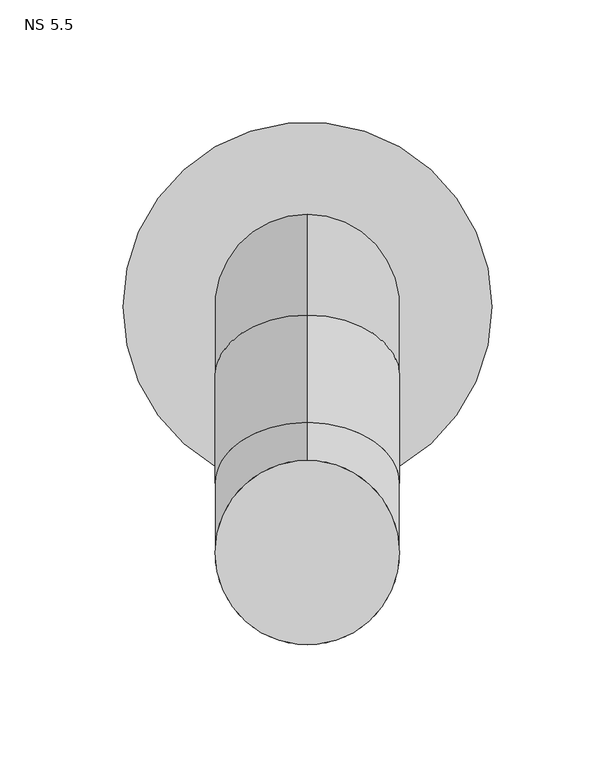
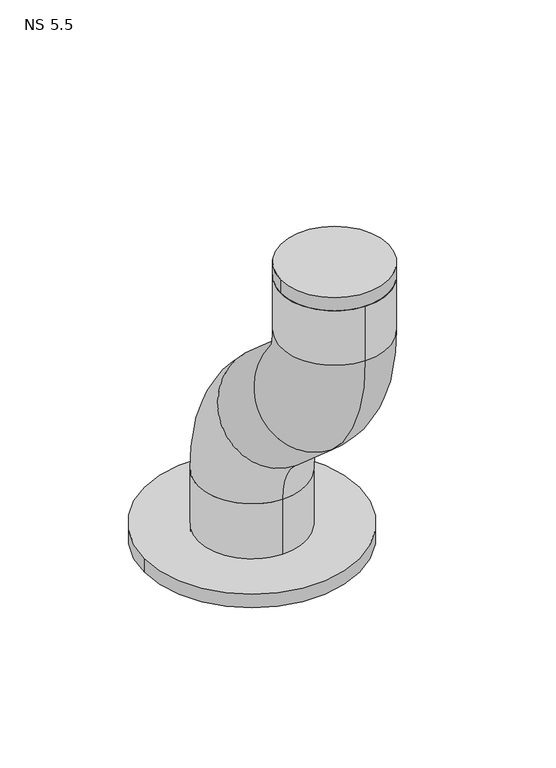
"""IFC4 building model written with IfcOpenShell, lengths in millimetres: unitary equipment geometry, NS 5.5."""

from ifc_helpers import new_model, si_unit, point, frame, frame_2d, origin, place, context, project, spatial, circle_curve, ellipse_curve, trimmed, segment, composite_curve, outline, extrude, source, transform, mapped, element, save
from ifc_brep_helpers import plane_surface, cylinder_surface, revolved_surface, advanced_brep


def ns_5_5_1beddec5(model_context):
    return source(origin(), model_context, "Body", "SolidModel", [
        advanced_brep(
        [(-225.0, 37.5, 1463.0), (-225.0, -37.5, 1463.0), (-225.0, 37.5, 1513.1666667), (-225.0, -37.5, 1513.1666667), (-225.0, -52.9188525, 1547.1888735), (-225.0, -3.4777932, 1603.5855192), (-225.0, -47.0811475, 1641.8111265), (-225.0, -96.5222068, 1585.4144808), (-225.0, -137.5, 1675.8333333), (-225.0, -62.5, 1675.8333333), (-225.0, -62.5, 1716.0), (-225.0, -137.5, 1716.0)],
        [
            (0, 1, circle_curve(frame((-225.0, 0.0, 1463.0), z_axis=(0.0, 0.0, -1.0), x_axis=(0.0, -1.0, 0.0)), 37.5)),
            (1, 0, circle_curve(frame((-225.0, 0.0, 1463.0), z_axis=(0.0, 0.0, -1.0), x_axis=(0.0, -1.0, 0.0)), 37.5)),
            (0, 2),
            (2, 3, circle_curve(frame((-225.0, 0.0, 1513.1666667), z_axis=(0.0, 0.0, -1.0), x_axis=(0.0, -1.0, 0.0)), 37.5)),
            (3, 1),
            (3, 2, circle_curve(frame((-225.0, 0.0, 1513.1666667), z_axis=(0.0, 0.0, -1.0), x_axis=(0.0, -1.0, 0.0)), 37.5)),
            (4, 3, circle_curve(frame((-225.0, -82.7449872, 1513.1666667), z_axis=(-1.0, 0.0, 0.0), x_axis=(0.0, 1.0, 0.0)), 45.2449872)),
            (2, 5, circle_curve(frame((-225.0, -82.7449872, 1513.1666667), z_axis=(1.0, 0.0, 0.0), x_axis=(0.0, 1.0, 0.0)), 120.2449872)),
            (5, 4, circle_curve(frame((-225.0, -28.1983228, 1575.3871964), z_axis=(0.0, 0.7519552759659777, -0.6592141252635069), x_axis=(0.0, -0.6592141252635069, -0.7519552759659777)), 37.5)),
            (4, 5, circle_curve(frame((-225.0, -28.1983228, 1575.3871964), z_axis=(0.0, 0.7519552759659779, -0.6592141252635065), x_axis=(0.0, -0.6592141252635065, -0.7519552759659779)), 37.5)),
            (5, 6),
            (6, 7, circle_curve(frame((-225.0, -71.8016772, 1613.6128036), z_axis=(0.0, 0.7519552759659772, -0.6592141252635073), x_axis=(0.0, -0.6592141252635073, -0.7519552759659772)), 37.5)),
            (7, 4),
            (7, 6, circle_curve(frame((-225.0, -71.8016772, 1613.6128036), z_axis=(0.0, 0.7519552759659772, -0.6592141252635073), x_axis=(0.0, -0.6592141252635073, -0.7519552759659772)), 37.5)),
            (8, 7, circle_curve(frame((-225.0, -17.2550128, 1675.8333333), z_axis=(1.0, 0.0, 0.0), x_axis=(0.0, -0.6592141252635073, -0.7519552759659771)), 120.2449872)),
            (6, 9, circle_curve(frame((-225.0, -17.2550128, 1675.8333333), z_axis=(-1.0, 0.0, 0.0), x_axis=(0.0, -0.6592141252635073, -0.7519552759659771)), 45.2449872)),
            (9, 8, circle_curve(frame((-225.0, -100.0, 1675.8333333), z_axis=(0.0, 0.0, -1.0), x_axis=(0.0, -1.0, 0.0)), 37.5)),
            (8, 9, circle_curve(frame((-225.0, -100.0, 1675.8333333), z_axis=(0.0, 0.0, -1.0), x_axis=(0.0, -1.0, 0.0)), 37.5)),
            (10, 11, circle_curve(frame((-225.0, -100.0, 1716.0), z_axis=(0.0, 0.0, 1.0), x_axis=(0.0, -1.0, 0.0)), 37.5)),
            (11, 10, circle_curve(frame((-225.0, -100.0, 1716.0), z_axis=(0.0, 0.0, 1.0), x_axis=(0.0, -1.0, 0.0)), 37.5)),
            (9, 10),
            (11, 8),
        ],
        [
            plane_surface(frame((-225.0, 0.0, 1463.0), z_axis=(0.0, 0.0, -1.0), x_axis=(1.0, 0.0, 0.0))),
            cylinder_surface(frame((-225.0, 0.0, 1463.0), z_axis=(0.0, 0.0, -1.0), x_axis=(0.0, -1.0, 0.0)), 37.5),
            revolved_surface(trimmed(ellipse_curve(frame((-225.0, 0.0, 1513.1666667), z_axis=(0.0, 0.0, -1.0), x_axis=(0.0, -1.0, 0.0)), 37.5, 37.5), [point((-225.0, 37.5, 1513.1666667))], [point((-225.0, -37.5, 1513.1666667))], True, "CARTESIAN"), (-225.0, -82.7449872, 1513.1666667), (1.0, 0.0, 0.0)),
            revolved_surface(trimmed(ellipse_curve(frame((-225.0, 0.0, 1513.1666667), z_axis=(0.0, 0.0, -1.0), x_axis=(0.0, -1.0, 0.0)), 37.5, 37.5), [point((-225.0, -37.5, 1513.1666667))], [point((-225.0, 37.5, 1513.1666667))], True, "CARTESIAN"), (-225.0, -82.7449872, 1513.1666667), (1.0, 0.0, 0.0)),
            cylinder_surface(frame((-225.0, -28.1983228, 1575.3871964), z_axis=(0.0, 0.7519552759659772, -0.6592141252635073), x_axis=(0.0, -0.6592141252635073, -0.7519552759659772)), 37.5),
            revolved_surface(trimmed(ellipse_curve(frame((-225.0, -71.8016772, 1613.6128036), z_axis=(0.0, 0.7519552759659771, -0.6592141252635073), x_axis=(0.0, -0.6592141252635073, -0.7519552759659771)), 37.5, 37.5), [point((-225.0, -47.0811475, 1641.8111265))], [point((-225.0, -96.5222068, 1585.4144808))], True, "CARTESIAN"), (-225.0, -17.2550128, 1675.8333333), (-1.0, 0.0, 0.0)),
            revolved_surface(trimmed(ellipse_curve(frame((-225.0, -71.8016772, 1613.6128036), z_axis=(0.0, 0.7519552759659771, -0.6592141252635073), x_axis=(0.0, -0.6592141252635073, -0.7519552759659771)), 37.5, 37.5), [point((-225.0, -96.5222068, 1585.4144808))], [point((-225.0, -47.0811475, 1641.8111265))], True, "CARTESIAN"), (-225.0, -17.2550128, 1675.8333333), (-1.0, 0.0, 0.0)),
            plane_surface(frame((-225.0, -100.0, 1716.0), z_axis=(0.0, 0.0, 1.0), x_axis=(1.0, 0.0, 0.0))),
            cylinder_surface(frame((-225.0, -100.0, 1675.8333333), z_axis=(0.0, 0.0, -1.0), x_axis=(0.0, -1.0, 0.0)), 37.5),
        ],
        [
            (0, [[1, 2]]),
            (1, [[-1, 3, 4, 5]]),
            (1, [[-2, -5, 6, -3]]),
            (2, [[7, -4, 8, 9]]),
            (3, [[-8, -6, -7, 10]]),
            (4, [[-9, 11, 12, 13]]),
            (4, [[-10, -13, 14, -11]]),
            (5, [[15, -12, 16, 17]]),
            (6, [[-16, -14, -15, 18]]),
            (7, [[19, 20]]),
            (8, [[-17, 21, -20, 22]]),
            (8, [[-18, -22, -19, -21]]),
        ],
    ),
        extrude(outline(composite_curve([segment(trimmed(circle_curve(frame_2d((-225.0, -100.0)), 37.5), [point((-262.5, -100.0))], [point((-187.5, -100.0))], False, "CARTESIAN"), True, "CONTINUOUS"), segment(trimmed(circle_curve(frame_2d((-225.0, -100.0)), 37.5), [point((-187.5, -100.0))], [point((-262.5, -100.0))], False, "CARTESIAN"), True, "CONTINUOUS")], self_intersect=False)), frame((0.0, 0.0, 1716.0), z_axis=(0.0, 0.0, 1.0), x_axis=(1.0, 0.0, 0.0)), (0.0, 0.0, 1.0), 10.0),
        extrude(outline(composite_curve([segment(trimmed(circle_curve(frame_2d((-225.0, 0.0)), 75.0), [point((-300.0, 0.0))], [point((-150.0, 0.0))], False, "CARTESIAN"), True, "CONTINUOUS"), segment(trimmed(circle_curve(frame_2d((-225.0, 0.0)), 75.0), [point((-150.0, 0.0))], [point((-300.0, 0.0))], False, "CARTESIAN"), True, "CONTINUOUS")], self_intersect=False)), frame((0.0, 0.0, 1463.0), z_axis=(0.0, 0.0, 1.0), x_axis=(1.0, 0.0, 0.0)), (0.0, 0.0, 1.0), 10.0),
    ])


if __name__ == "__main__":
    model = new_model("IFC4")
    model_context = context("Model", 3, world=origin())
    ifc_project = project(units=[si_unit("LENGTHUNIT", "METRE", prefix="MILLI")], contexts=[model_context])
    site = spatial("IfcSite", under=ifc_project)
    building = spatial("IfcBuilding", under=site)
    placement = place(None, origin())
    ns_5_5_shape = ns_5_5_1beddec5(model_context)
    element("IfcUnitaryEquipment", 1, ObjectType="NS 5.5", at=placement, inside=building, context=model_context, shape_type="MappedRepresentation", body=[
        mapped(ns_5_5_shape, transform((0.0, 0.0, 0.0), x_axis=(1.0, 0.0, 0.0), y_axis=(0.0, 1.0, 0.0), z_axis=(0.0, 0.0, 1.0))),
    ])
    save(model, "model.ifc")
